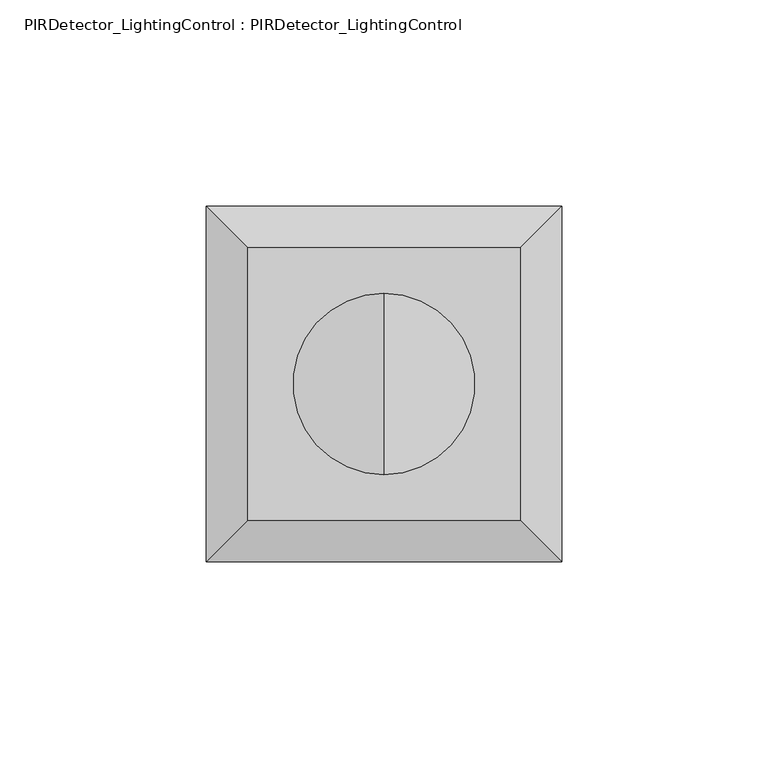
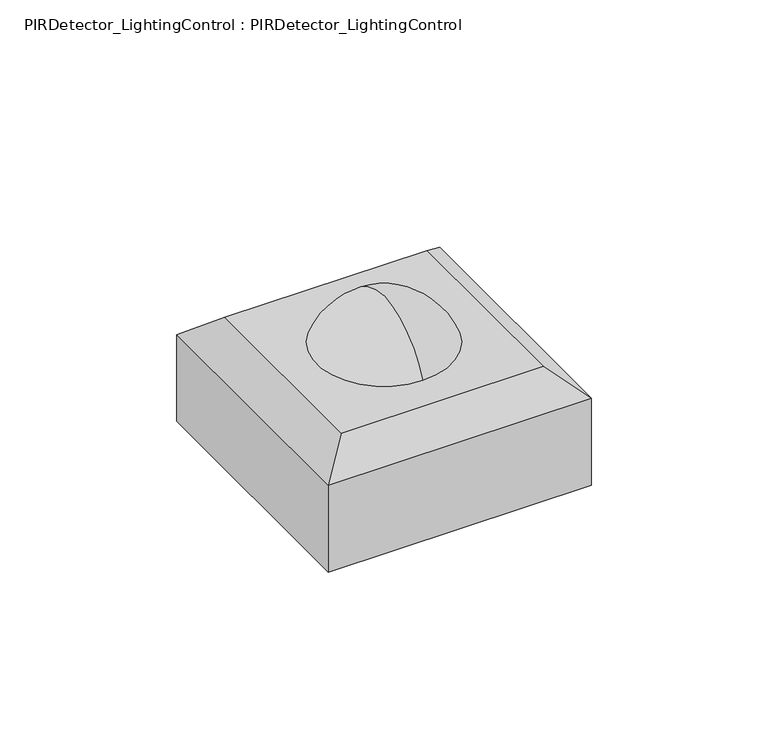
"""IFC4 building model written with IfcOpenShell, lengths in millimetres: switching device geometry, PIRDetector_LightingControl : PIRDetector_LightingControl."""

from ifc_helpers import new_model, si_unit, point, frame, origin, place, context, project, spatial, polyline, circle_curve, ellipse_curve, trimmed, outline, extrude, faceted_brep, source, transform, mapped, element, save
from ifc_brep_helpers import plane_surface, revolved_surface, advanced_brep


def pirdetector_lightingcontrol_pirdetector_lightingcontrol_609778d1(model_context):
    return source(origin(), model_context, "Body", "SolidModel", [
        advanced_brep(
        [(0.0, 22.0, 23.5), (0.0, -22.0, 23.5), (0.0, 0.0, 39.5), (0.0, 0.0, 23.5)],
        [
            (0, 1, circle_curve(frame((0.0, 0.0, 23.5), z_axis=(0.0, 0.0, 1.0), x_axis=(0.0, -1.0, 0.0)), 22.0)),
            (1, 2, circle_curve(frame((0.0, 2.4669756, 12.9829085), z_axis=(-1.0, 0.0, 0.0), x_axis=(0.0, 1.0, 0.0)), 26.6315999)),
            (2, 0, circle_curve(frame((0.0, -2.4669756, 12.9829085), z_axis=(-1.0, 0.0, 0.0), x_axis=(0.0, -1.0, 0.0)), 26.6315999)),
            (1, 0, circle_curve(frame((0.0, 0.0, 23.5), z_axis=(0.0, 0.0, 1.0), x_axis=(0.0, -1.0, 0.0)), 22.0)),
            (3, 1),
            (0, 3),
        ],
        [
            revolved_surface(trimmed(ellipse_curve(frame((0.0, 2.4669756, 12.9829085), z_axis=(1.0, 0.0, 0.0), x_axis=(0.0, 1.0, 0.0)), 26.6315999, 26.6315999), [point((0.0, 0.0, 39.5))], [point((0.0, -22.0, 23.5))], True, "CARTESIAN"), (0.0, 0.0, -609.6), (0.0, 0.0, -1.0)),
            plane_surface(frame((0.0, 0.0, 23.5), z_axis=(0.0, 0.0, -1.0), x_axis=(0.0, -1.0, 0.0))),
        ],
        [
            (0, [[1, 2, 3]]),
            (0, [[4, -3, -2]]),
            (1, [[5, -1, 6]]),
            (1, [[-6, -4, -5]]),
        ],
    ),
        faceted_brep([(-33.0, 33.0, 23.5), (-33.0, -33.0, 23.5), (33.0, -33.0, 23.5), (33.0, 33.0, 23.5), (-43.0, 43.0, 15.0), (43.0, 43.0, 15.0), (43.0, -43.0, 15.0), (-43.0, -43.0, 15.0)], [[[0, 1, 2, 3]], [[4, 5, 6, 7]], [[4, 7, 1, 0]], [[7, 6, 2, 1]], [[6, 5, 3, 2]], [[5, 4, 0, 3]]]),
        extrude(outline(polyline([(-43.0, 43.0), (43.0, 43.0), (43.0, -43.0), (-43.0, -43.0), (-43.0, 43.0)])), frame((0.0, 0.0, -15.0), z_axis=(0.0, 0.0, 1.0), x_axis=(1.0, 0.0, 0.0)), (0.0, 0.0, 1.0), 30.0),
    ])


if __name__ == "__main__":
    model = new_model("IFC4")
    model_context = context("Model", 3, world=origin())
    ifc_project = project(units=[si_unit("LENGTHUNIT", "METRE", prefix="MILLI")], contexts=[model_context])
    site = spatial("IfcSite", under=ifc_project)
    building = spatial("IfcBuilding", under=site)
    placement = place(None, origin())
    pirdetector_lightingcontrol_pirdetector_lightingcontrol_shape = pirdetector_lightingcontrol_pirdetector_lightingcontrol_609778d1(model_context)
    element("IfcSwitchingDevice", 1, ObjectType="PIRDetector_LightingControl : PIRDetector_LightingControl", at=placement, inside=building, context=model_context, shape_type="MappedRepresentation", body=[
        mapped(pirdetector_lightingcontrol_pirdetector_lightingcontrol_shape, transform((0.0, 0.0, 0.0), x_axis=(1.0, 0.0, 0.0), y_axis=(0.0, 1.0, 0.0), z_axis=(0.0, 0.0, 1.0))),
    ])
    save(model, "model.ifc")
